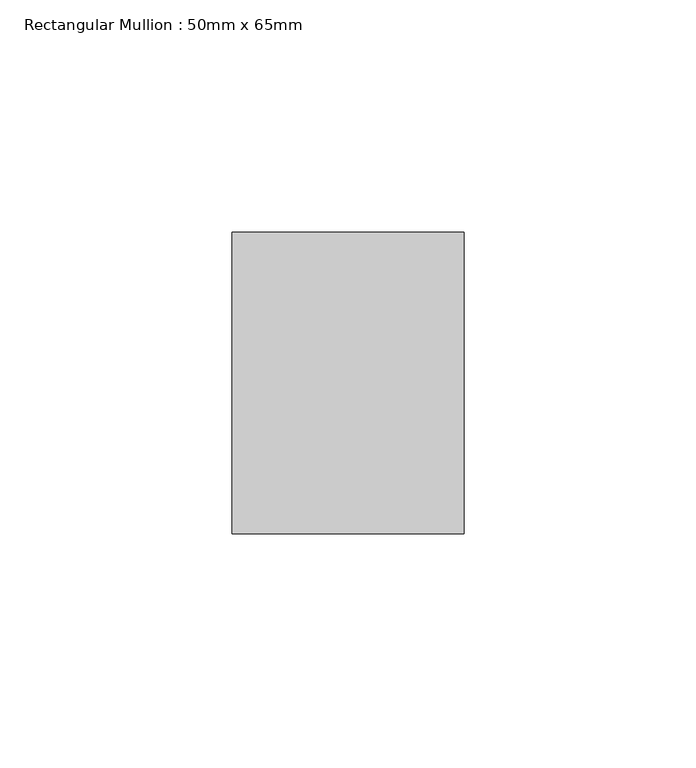
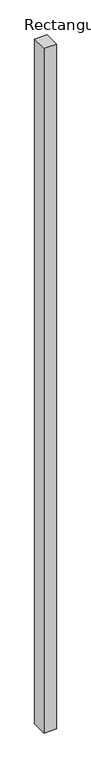
"""IFC4 building model written with IfcOpenShell, lengths in millimetres: member geometry, Rectangular Mullion : 50mm x 65mm."""

from ifc_helpers import new_model, si_unit, frame, origin, place, context, project, spatial, polyline, outline, extrude, source, transform, mapped, element, save


def rectangular_mullion_50mm_x_65mm_addc451e(model_context):
    return source(origin(), model_context, "Body", "SweptSolid", [
        extrude(outline(polyline([(25.0, 32.5), (25.0, -32.5), (-25.0, -32.5), (-25.0, 32.5), (25.0, 32.5)])), frame((0.0, 0.0, -2924.9804176), z_axis=(0.0, 0.0, 1.0), x_axis=(1.0, 0.0, 0.0)), (0.0, 0.0, 1.0), 2924.9804176),
    ])


if __name__ == "__main__":
    model = new_model("IFC4")
    model_context = context("Model", 3, world=origin())
    ifc_project = project(units=[si_unit("LENGTHUNIT", "METRE", prefix="MILLI")], contexts=[model_context])
    site = spatial("IfcSite", under=ifc_project)
    building = spatial("IfcBuilding", under=site)
    placement = place(None, origin())
    rectangular_mullion_50mm_x_65mm_shape = rectangular_mullion_50mm_x_65mm_addc451e(model_context)
    element("IfcMember", 1, ObjectType="Rectangular Mullion : 50mm x 65mm", at=placement, inside=building, context=model_context, shape_type="MappedRepresentation", body=[
        mapped(rectangular_mullion_50mm_x_65mm_shape, transform((0.0, 0.0, 0.0), x_axis=(1.0, 0.0, 0.0), y_axis=(0.0, 1.0, 0.0), z_axis=(0.0, 0.0, 1.0))),
    ])
    save(model, "model.ifc")
